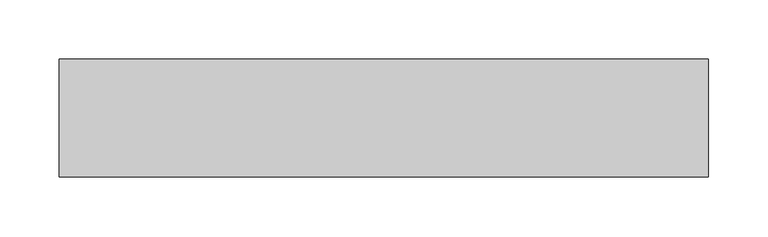
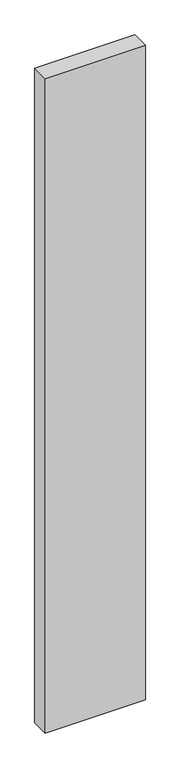
"""IFC4 building model written with IfcOpenShell, lengths in millimetres: proxy geometry."""

from ifc_helpers import new_model, si_unit, frame, origin, place, context, project, spatial, polyline, outline, extrude, source, transform, mapped, element, save


def generic_models_e501c26b(model_context):
    return source(origin(), model_context, "Body", "SweptSolid", [
        extrude(outline(polyline([(550.0, 100.0), (550.0, 0.0), (0.0, 0.0), (0.0, 100.0), (550.0, 100.0)])), frame((0.0, 0.0, -3800.0), z_axis=(0.0, 0.0, 1.0), x_axis=(1.0, 0.0, 0.0)), (0.0, 0.0, 1.0), 3800.0),
    ])


if __name__ == "__main__":
    model = new_model("IFC4")
    model_context = context("Model", 3, world=origin())
    ifc_project = project(units=[si_unit("LENGTHUNIT", "METRE", prefix="MILLI")], contexts=[model_context])
    site = spatial("IfcSite", under=ifc_project)
    building = spatial("IfcBuilding", under=site)
    placement = place(None, origin())
    generic_models_shape = generic_models_e501c26b(model_context)
    element("IfcBuildingElementProxy", 1, Name="Generic Models", at=placement, inside=building, context=model_context, shape_type="MappedRepresentation", body=[
        mapped(generic_models_shape, transform((0.0, 0.0, 0.0), x_axis=(1.0, 0.0, 0.0), y_axis=(0.0, 1.0, 0.0), z_axis=(0.0, 0.0, 1.0))),
    ])
    save(model, "model.ifc")
